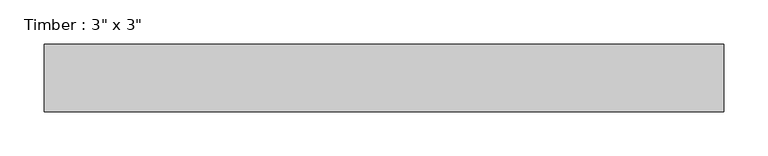
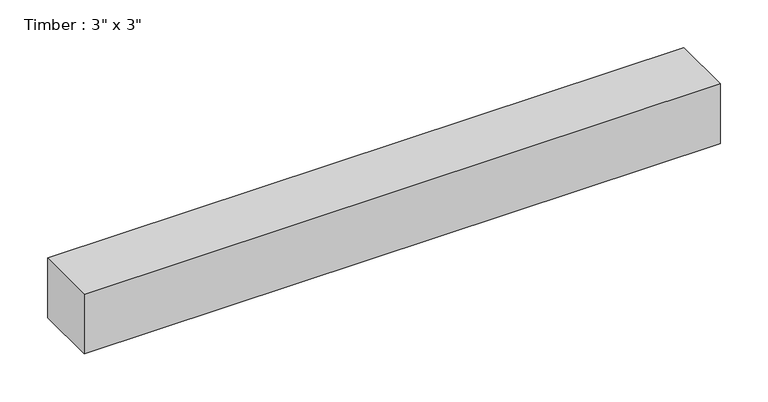
"""IFC4 building model written with IfcOpenShell, lengths in millimetres: beam geometry."""

from ifc_helpers import new_model, si_unit, frame, origin, place, context, project, spatial, polyline, outline, extrude, source, transform, mapped, element, save


def beam_feb37bd4(model_context):
    return source(origin(), model_context, "Body", "SweptSolid", [
        extrude(outline(polyline([(384.0492819, 38.1), (384.0492819, -38.1), (-384.0492819, -38.1), (-384.0492819, 38.1), (384.0492819, 38.1)])), frame((0.0, 0.0, -38.1), z_axis=(0.0, 0.0, 1.0), x_axis=(1.0, 0.0, 0.0)), (0.0, 0.0, 1.0), 76.2),
    ])


if __name__ == "__main__":
    model = new_model("IFC4")
    model_context = context("Model", 3, world=origin())
    ifc_project = project(units=[si_unit("LENGTHUNIT", "METRE", prefix="MILLI")], contexts=[model_context])
    site = spatial("IfcSite", under=ifc_project)
    building = spatial("IfcBuilding", under=site)
    placement = place(None, origin())
    beam_shape = beam_feb37bd4(model_context)
    element("IfcBeam", 1, ObjectType="Timber : 3\" x 3\"", at=placement, inside=building, context=model_context, shape_type="MappedRepresentation", body=[
        mapped(beam_shape, transform((0.0, 0.0, 0.0), x_axis=(1.0, 0.0, 0.0), y_axis=(0.0, 1.0, 0.0), z_axis=(0.0, 0.0, 1.0))),
    ])
    save(model, "model.ifc")
